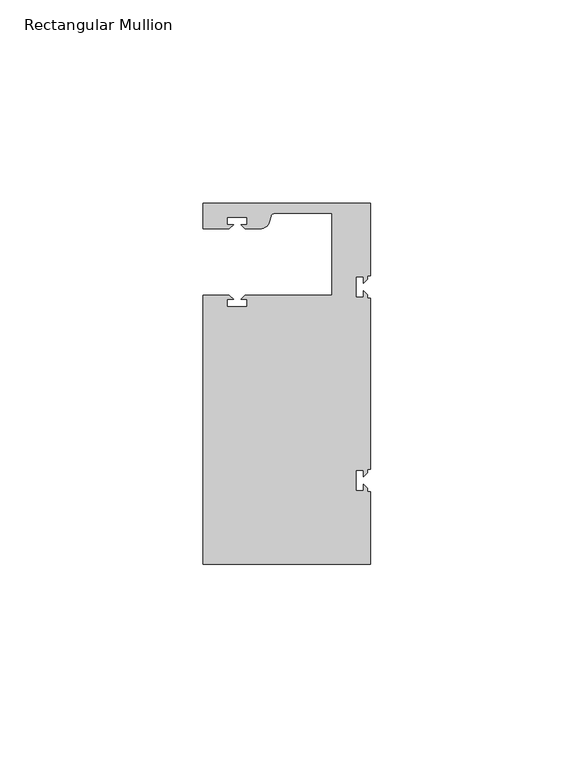
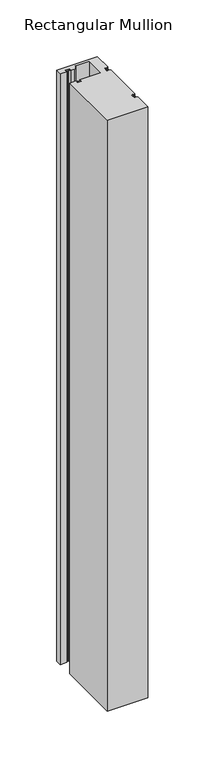
"""IFC4 building model written with IfcOpenShell, lengths in millimetres: member geometry, Rectangular Mullion."""

from ifc_helpers import new_model, si_unit, point, frame, frame_2d, origin, place, context, project, spatial, polyline, circle_curve, trimmed, segment, composite_curve, outline, extrude, source, transform, mapped, element, save


def rectangular_mullion_5257dfbe(model_context):
    return source(origin(), model_context, "Body", "SweptSolid", [
        extrude(outline(composite_curve([segment(polyline([(0.0, 44.45), (0.0, 26.5319902), (-0.79375, 26.5319902), (-0.79375, 25.7382402), (-1.7937657, 24.7382245), (-1.7937657, 26.3124974), (-3.5938131, 26.3124974), (-3.5938131, 21.3125026), (-1.7937657, 21.3125026), (-1.7937657, 22.88674), (-0.79375, 21.8867243), (-0.79375, 21.0930098), (0.0, 21.0930098), (0.0, -21.0930098), (-0.79375, -21.0930098), (-0.79375, -21.8867598), (-1.7937657, -22.8867755), (-1.7937657, -21.3125026), (-3.5938131, -21.3125026), (-3.5938131, -26.3124974), (-1.7937657, -26.3124974), (-1.7937657, -24.73826), (-0.79375, -25.7382757), (-0.79375, -26.5319902), (0.0, -26.5319902), (0.0, -44.45), (-41.275, -44.45), (-41.275, 21.749999), (-34.8007562, 21.749999), (-33.8007405, 20.7499834), (-35.3750134, 20.7499834), (-35.3750134, 18.949936), (-30.3750186, 18.949936), (-30.3750186, 20.7499834), (-31.949256, 20.7499834), (-30.9492434, 21.7499959), (-9.525, 21.7499959), (-9.525, 41.95), (-23.5599329, 41.95)]), True, "CONTINUOUS"), segment(trimmed(circle_curve(frame_2d((-23.5599329, 40.9500001)), 1.0), [point((-23.5599329, 41.95))], [point((-24.5258588, 41.2088192))], True, "CARTESIAN"), True, "CONTINUOUS"), segment(polyline([(-24.5258588, 41.2088192), (-24.8489707, 40.002949)]), True, "CONTINUOUS"), segment(trimmed(circle_curve(frame_2d((-27.2637853, 40.6499966)), 2.5), [point((-24.8489707, 40.002949))], [point((-27.2637853, 38.1499966))], False, "CARTESIAN"), True, "CONTINUOUS"), segment(polyline([(-27.2637853, 38.1499966), (-30.9492503, 38.1499966), (-31.949256, 39.1500023), (-30.3749831, 39.1500023), (-30.3749831, 40.9498819), (-35.3749778, 40.9498819), (-35.3749778, 39.1500023), (-33.8007405, 39.1500023), (-34.8007531, 38.1499897), (-41.2749977, 38.1499897), (-41.2749977, 44.45), (0.0, 44.45)]), True, "CONTINUOUS")], self_intersect=False)), frame((0.0, 0.0, -635.0), z_axis=(0.0, 0.0, 1.0), x_axis=(1.0, 0.0, 0.0)), (0.0, 0.0, 1.0), 635.0),
    ])


if __name__ == "__main__":
    model = new_model("IFC4")
    model_context = context("Model", 3, world=origin())
    ifc_project = project(units=[si_unit("LENGTHUNIT", "METRE", prefix="MILLI")], contexts=[model_context])
    site = spatial("IfcSite", under=ifc_project)
    building = spatial("IfcBuilding", under=site)
    placement = place(None, origin())
    rectangular_mullion_shape = rectangular_mullion_5257dfbe(model_context)
    element("IfcMember", 1, ObjectType="Rectangular Mullion", at=placement, inside=building, context=model_context, shape_type="MappedRepresentation", body=[
        mapped(rectangular_mullion_shape, transform((0.0, 0.0, 0.0), x_axis=(1.0, 0.0, 0.0), y_axis=(0.0, 1.0, 0.0), z_axis=(0.0, 0.0, 1.0))),
    ])
    save(model, "model.ifc")
